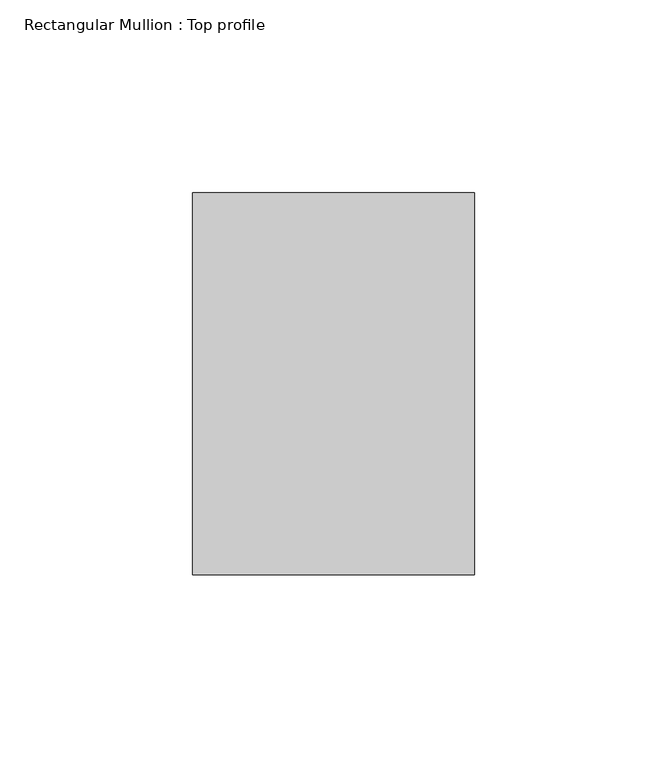
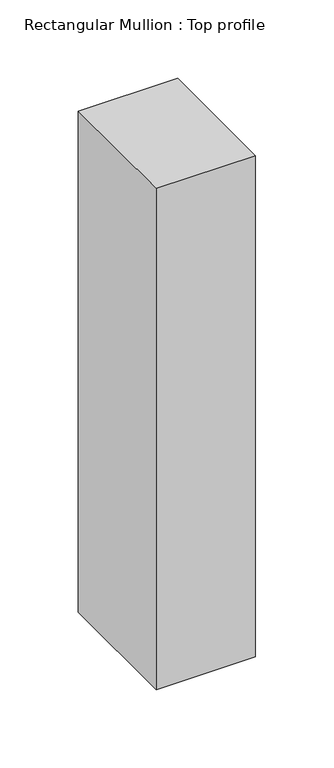
"""IFC4 building model written with IfcOpenShell, lengths in millimetres: member geometry, Rectangular Mullion : Top profile."""

from ifc_helpers import new_model, si_unit, frame, origin, place, context, project, spatial, polyline, outline, extrude, source, transform, mapped, element, save


def rectangular_mullion_top_profile_b2a5d62f(model_context):
    return source(origin(), model_context, "Body", "SweptSolid", [
        extrude(outline(polyline([(-73.0, 49.5), (0.0, 49.5), (0.0, -49.5), (-73.0, -49.5), (-73.0, 49.5)])), frame((0.0, 0.0, -390.0), z_axis=(0.0, 0.0, 1.0), x_axis=(1.0, 0.0, 0.0)), (0.0, 0.0, 1.0), 390.0),
    ])


if __name__ == "__main__":
    model = new_model("IFC4")
    model_context = context("Model", 3, world=origin())
    ifc_project = project(units=[si_unit("LENGTHUNIT", "METRE", prefix="MILLI")], contexts=[model_context])
    site = spatial("IfcSite", under=ifc_project)
    building = spatial("IfcBuilding", under=site)
    placement = place(None, origin())
    rectangular_mullion_top_profile_shape = rectangular_mullion_top_profile_b2a5d62f(model_context)
    element("IfcMember", 1, ObjectType="Rectangular Mullion : Top profile", at=placement, inside=building, context=model_context, shape_type="MappedRepresentation", body=[
        mapped(rectangular_mullion_top_profile_shape, transform((0.0, 0.0, 0.0), x_axis=(1.0, 0.0, 0.0), y_axis=(0.0, 1.0, 0.0), z_axis=(0.0, 0.0, 1.0))),
    ])
    save(model, "model.ifc")
